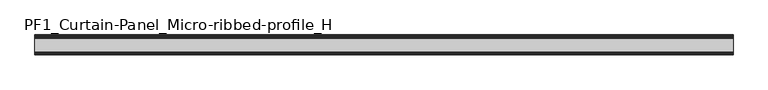
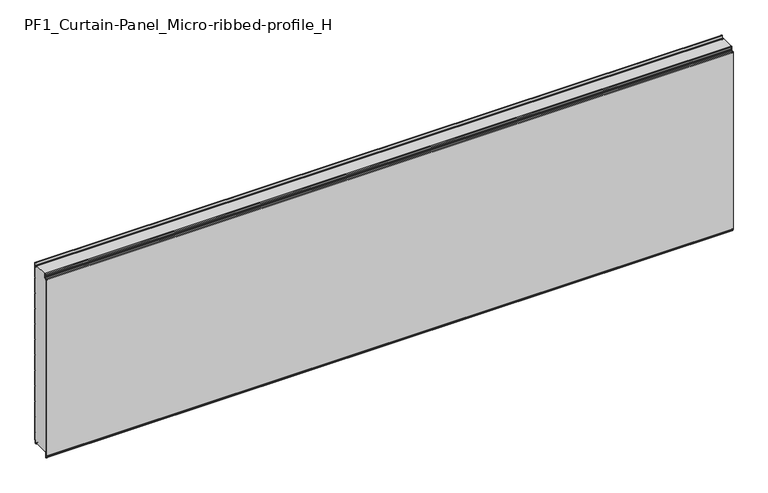
"""IFC4 building model written with IfcOpenShell, lengths in millimetres: plate geometry, PF1_Curtain-Panel_Micro-ribbed-profile_H."""

from ifc_helpers import new_model, si_unit, point, frame, frame_2d, origin, place, context, project, spatial, polyline, circle_curve, trimmed, segment, composite_curve, outline, extrude, source, transform, mapped, element, save


def pf1_curtain_panel_micro_ribbed_profile_h_9a8ff7d0(model_context):
    return source(origin(), model_context, "Body", "SweptSolid", [
        extrude(outline(composite_curve([segment(polyline([(-110.0, 0.0), (-113.5, 0.0)]), True, "CONTINUOUS"), segment(trimmed(circle_curve(frame_2d((-113.5, -2.0)), 2.0), [point((-113.5, 0.0))], [point((-115.5, -2.0))], True, "CARTESIAN"), True, "CONTINUOUS"), segment(polyline([(-115.5, -2.0), (-115.5, -33.0)]), True, "CONTINUOUS"), segment(trimmed(circle_curve(frame_2d((-116.5, -33.0)), 1.0), [point((-115.5, -33.0))], [point((-117.5, -33.0))], False, "CARTESIAN"), True, "CONTINUOUS"), segment(polyline([(-117.5, -33.0), (-117.5, -26.9)]), True, "CONTINUOUS"), segment(trimmed(circle_curve(frame_2d((-118.4, -26.9)), 0.9), [point((-117.5, -26.9))], [point((-118.4, -26.0))], True, "CARTESIAN"), True, "CONTINUOUS"), segment(trimmed(circle_curve(frame_2d((-118.4, -24.4)), 1.6), [point((-118.4, -26.0))], [point((-120.0, -24.4))], False, "CARTESIAN"), True, "CONTINUOUS"), segment(polyline([(-120.0, -24.4), (-120.0, 1123.168846)]), True, "CONTINUOUS"), segment(trimmed(circle_curve(frame_2d((-119.0, 1123.168846)), 1.0), [point((-120.0, 1123.168846))], [point((-118.0, 1123.168846))], False, "CARTESIAN"), True, "CONTINUOUS"), segment(polyline([(-118.0, 1123.168846), (-118.0, 1117.168846)]), True, "CONTINUOUS"), segment(trimmed(circle_curve(frame_2d((-116.5, 1117.168846)), 1.5), [point((-118.0, 1117.168846))], [point((-115.0, 1117.168846))], True, "CARTESIAN"), True, "CONTINUOUS"), segment(polyline([(-115.0, 1117.168846), (-115.0, 1117.9964664)]), True, "CONTINUOUS"), segment(trimmed(circle_curve(frame_2d((-108.8276204, 1117.9964664)), 6.1723796), [point((-115.0, 1117.9964664))], [point((-108.8276204, 1124.168846))], False, "CARTESIAN"), True, "CONTINUOUS"), segment(polyline([(-108.8276204, 1124.168846), (-108.0, 1124.168846)]), True, "CONTINUOUS"), segment(trimmed(circle_curve(frame_2d((-108.0, 1125.168846)), 1.0), [point((-108.0, 1124.168846))], [point((-107.0, 1125.168846))], True, "CARTESIAN"), True, "CONTINUOUS"), segment(polyline([(-107.0, 1125.168846), (-107.0, 1131.6688472), (-105.4999999, 1133.168846), (-107.0, 1134.6688448), (-107.0, 1146.568846)]), True, "CONTINUOUS"), segment(trimmed(circle_curve(frame_2d((-104.4, 1146.568846)), 2.6), [point((-107.0, 1146.568846))], [point((-104.4, 1149.168846))], False, "CARTESIAN"), True, "CONTINUOUS"), segment(polyline([(-104.4, 1149.168846), (-103.0, 1149.168846), (-103.0, 1148.368846), (-104.4, 1148.368846)]), True, "CONTINUOUS"), segment(trimmed(circle_curve(frame_2d((-104.4, 1146.568846)), 1.8), [point((-104.4, 1148.368846))], [point((-106.2, 1146.568846))], True, "CARTESIAN"), True, "CONTINUOUS"), segment(polyline([(-106.2, 1146.568846), (-106.2, 1135.0002158), (-104.3686285, 1133.168846), (-106.2, 1131.3374762), (-106.2, 1125.168846)]), True, "CONTINUOUS"), segment(trimmed(circle_curve(frame_2d((-108.0, 1125.168846)), 1.8), [point((-106.2, 1125.168846))], [point((-108.0, 1123.368846))], False, "CARTESIAN"), True, "CONTINUOUS"), segment(polyline([(-108.0, 1123.368846), (-108.8276204, 1123.368846)]), True, "CONTINUOUS"), segment(trimmed(circle_curve(frame_2d((-108.8276204, 1117.9964664)), 5.3723796), [point((-108.8276204, 1123.368846))], [point((-114.2, 1117.9964664))], True, "CARTESIAN"), True, "CONTINUOUS"), segment(polyline([(-114.2, 1117.9964664), (-114.2, 1117.168846)]), True, "CONTINUOUS"), segment(trimmed(circle_curve(frame_2d((-116.4, 1117.168846)), 2.2), [point((-114.2, 1117.168846))], [point((-118.6, 1117.168846))], False, "CARTESIAN"), True, "CONTINUOUS"), segment(polyline([(-118.6, 1117.168846), (-118.6, 1123.0579973)]), True, "CONTINUOUS"), segment(trimmed(circle_curve(frame_2d((-118.9, 1123.0579973)), 0.3), [point((-118.6, 1123.0579973))], [point((-119.2, 1123.0579973))], True, "CARTESIAN"), True, "CONTINUOUS"), segment(polyline([(-119.2, 1123.0579973), (-119.2, -24.4)]), True, "CONTINUOUS"), segment(trimmed(circle_curve(frame_2d((-118.4, -24.4)), 0.8), [point((-119.2, -24.4))], [point((-118.4, -25.2))], True, "CARTESIAN"), True, "CONTINUOUS"), segment(trimmed(circle_curve(frame_2d((-118.6133333, -26.9)), 1.7133333), [point((-118.4, -25.2))], [point((-116.9, -26.9))], False, "CARTESIAN"), True, "CONTINUOUS"), segment(polyline([(-116.9, -26.9), (-116.9, -32.8700312)]), True, "CONTINUOUS"), segment(trimmed(circle_curve(frame_2d((-116.6, -32.8700312)), 0.3), [point((-116.9, -32.8700312))], [point((-116.3, -32.8700312))], True, "CARTESIAN"), True, "CONTINUOUS"), segment(polyline([(-116.3, -32.8700312), (-116.3, -2.0)]), True, "CONTINUOUS"), segment(trimmed(circle_curve(frame_2d((-113.5, -2.0)), 2.8), [point((-116.3, -2.0))], [point((-113.5, 0.8))], False, "CARTESIAN"), True, "CONTINUOUS"), segment(polyline([(-113.5, 0.8), (-110.0, 0.8), (-110.0, 0.0)]), True, "CONTINUOUS")], self_intersect=False)), frame((-2100.0, 0.0, 0.0), z_axis=(1.0, 0.0, 0.0), x_axis=(0.0, 1.0, 0.0)), (0.0, 0.0, 1.0), 4200.0),
        extrude(outline(composite_curve([segment(polyline([(-15.878557, 0.0), (-20.0, 0.0), (-20.0, 0.8), (-15.878557, 0.8)]), True, "CONTINUOUS"), segment(trimmed(circle_curve(frame_2d((-15.878557, -2.0)), 2.8), [point((-15.878557, 0.8))], [point((-13.1503208, -1.370137))], False, "CARTESIAN"), True, "CONTINUOUS"), segment(polyline([(-13.1503208, -1.370137), (-11.728236, -7.529863)]), True, "CONTINUOUS"), segment(trimmed(circle_curve(frame_2d((-9.0, -6.9)), 2.8), [point((-11.728236, -7.529863))], [point((-6.2, -6.9))], True, "CARTESIAN"), True, "CONTINUOUS"), segment(polyline([(-6.2, -6.9), (-6.2, 8.6)]), True, "CONTINUOUS"), segment(trimmed(circle_curve(frame_2d((-3.4, 8.6)), 2.8), [point((-6.2, 8.6))], [point((-3.4, 11.4))], False, "CARTESIAN"), True, "CONTINUOUS"), segment(polyline([(-3.4, 11.4), (-2.0, 11.4)]), True, "CONTINUOUS"), segment(trimmed(circle_curve(frame_2d((-2.0, 12.6)), 1.2), [point((-2.0, 11.4))], [point((-0.8, 12.6))], True, "CARTESIAN"), True, "CONTINUOUS"), segment(polyline([(-0.8, 12.6), (-0.8, 57.6856412), (-2.482606, 60.6), (-0.8, 63.5143588), (-0.8, 157.6856412), (-2.482606, 160.6), (-0.8, 163.5143588), (-0.8, 257.6856412), (-2.482606, 260.6), (-0.8, 263.5143588), (-0.8, 357.6856412), (-2.482606, 360.6), (-0.8, 363.5143588), (-0.8, 457.6856412), (-2.482606, 460.6), (-0.8, 463.5143588), (-0.8, 557.6856412), (-2.482606, 560.6), (-0.8, 563.5143588), (-0.8, 657.6856412), (-2.482606, 660.6), (-0.8, 663.5143588), (-0.8, 757.6856412), (-2.482606, 760.6), (-0.8, 763.5143588), (-0.8, 857.6856412), (-2.482606, 860.6), (-0.8, 863.5143588), (-0.8, 957.6856412), (-2.482606, 960.6), (-0.8, 963.5143588), (-0.8, 1057.6856412), (-2.482606, 1060.6), (-0.8, 1063.5143588), (-0.8, 1158.268846)]), True, "CONTINUOUS"), segment(trimmed(circle_curve(frame_2d((-2.5, 1158.268846)), 1.7), [point((-0.8, 1158.268846))], [point((-4.2, 1158.268846))], True, "CARTESIAN"), True, "CONTINUOUS"), segment(polyline([(-4.2, 1158.268846), (-4.2, 1141.268846)]), True, "CONTINUOUS"), segment(trimmed(circle_curve(frame_2d((-9.0, 1141.268846)), 4.8), [point((-4.2, 1141.268846))], [point((-13.7270771, 1140.4353344))], False, "CARTESIAN"), True, "CONTINUOUS"), segment(polyline([(-13.7270771, 1140.4353344), (-14.8636953, 1146.8814129)]), True, "CONTINUOUS"), segment(trimmed(circle_curve(frame_2d((-16.6363492, 1146.568846)), 1.8), [point((-14.8636953, 1146.8814129))], [point((-16.6363492, 1148.368846))], True, "CARTESIAN"), True, "CONTINUOUS"), segment(polyline([(-16.6363492, 1148.368846), (-20.0, 1148.368846), (-20.0, 1149.168846), (-16.6363492, 1149.168846)]), True, "CONTINUOUS"), segment(trimmed(circle_curve(frame_2d((-16.6363492, 1146.568846)), 2.6), [point((-16.6363492, 1149.168846))], [point((-14.0758491, 1147.0203315))], False, "CARTESIAN"), True, "CONTINUOUS"), segment(polyline([(-14.0758491, 1147.0203315), (-12.939231, 1140.574253)]), True, "CONTINUOUS"), segment(trimmed(circle_curve(frame_2d((-9.0, 1141.268846)), 4.0), [point((-12.939231, 1140.574253))], [point((-5.0, 1141.268846))], True, "CARTESIAN"), True, "CONTINUOUS"), segment(polyline([(-5.0, 1141.268846), (-5.0, 1158.268846)]), True, "CONTINUOUS"), segment(trimmed(circle_curve(frame_2d((-2.5, 1158.268846)), 2.5), [point((-5.0, 1158.268846))], [point((0.0, 1158.268846))], False, "CARTESIAN"), True, "CONTINUOUS"), segment(polyline([(0.0, 1158.268846), (0.0, 1063.2999995), (-1.5588455, 1060.6), (0.0, 1057.9000005), (0.0, 963.2999995), (-1.5588455, 960.6), (0.0, 957.9000005), (0.0, 863.2999995), (-1.5588455, 860.6), (0.0, 857.9000005), (0.0, 763.2999995), (-1.5588455, 760.6), (0.0, 757.9000005), (0.0, 663.2999995), (-1.5588455, 660.6), (0.0, 657.9000005), (0.0, 563.2999995), (-1.5588455, 560.6), (0.0, 557.9000005), (0.0, 463.2999995), (-1.5588455, 460.6), (0.0, 457.9000005), (0.0, 363.2999995), (-1.5588455, 360.6), (0.0, 357.9000005), (0.0, 263.2999995), (-1.5588455, 260.6), (0.0, 257.9000005), (0.0, 163.2999995), (-1.5588455, 160.6), (0.0, 157.9000005), (0.0, 63.2999995), (-1.5588455, 60.6), (0.0, 57.9000005), (0.0, 12.6)]), True, "CONTINUOUS"), segment(trimmed(circle_curve(frame_2d((-2.0, 12.6)), 2.0), [point((0.0, 12.6))], [point((-2.0, 10.6))], False, "CARTESIAN"), True, "CONTINUOUS"), segment(polyline([(-2.0, 10.6), (-3.4, 10.6)]), True, "CONTINUOUS"), segment(trimmed(circle_curve(frame_2d((-3.4, 8.6)), 2.0), [point((-3.4, 10.6))], [point((-5.4, 8.6))], True, "CARTESIAN"), True, "CONTINUOUS"), segment(polyline([(-5.4, 8.6), (-5.4, -6.9)]), True, "CONTINUOUS"), segment(trimmed(circle_curve(frame_2d((-9.0, -6.9)), 3.6), [point((-5.4, -6.9))], [point((-12.5077322, -7.7098239))], False, "CARTESIAN"), True, "CONTINUOUS"), segment(polyline([(-12.5077322, -7.7098239), (-13.929817, -1.5500979)]), True, "CONTINUOUS"), segment(trimmed(circle_curve(frame_2d((-15.878557, -2.0)), 2.0), [point((-13.929817, -1.5500979))], [point((-15.878557, 0.0))], True, "CARTESIAN"), True, "CONTINUOUS")], self_intersect=False)), frame((-2100.0, 0.0, 0.0), z_axis=(1.0, 0.0, 0.0), x_axis=(0.0, 1.0, 0.0)), (0.0, 0.0, 1.0), 4200.0),
        extrude(outline(composite_curve([segment(polyline([(-110.0, 0.8), (-113.5, 0.8)]), True, "CONTINUOUS"), segment(trimmed(circle_curve(frame_2d((-113.5, -2.0)), 2.8), [point((-113.5, 0.8))], [point((-116.3, -2.0))], True, "CARTESIAN"), True, "CONTINUOUS"), segment(polyline([(-116.3, -2.0), (-116.3, -32.8700312)]), True, "CONTINUOUS"), segment(trimmed(circle_curve(frame_2d((-116.6, -32.8700312)), 0.3), [point((-116.3, -32.8700312))], [point((-116.9, -32.8700312))], False, "CARTESIAN"), True, "CONTINUOUS"), segment(polyline([(-116.9, -32.8700312), (-116.9, -26.9)]), True, "CONTINUOUS"), segment(trimmed(circle_curve(frame_2d((-118.6133333, -26.9)), 1.7133333), [point((-116.9, -26.9))], [point((-118.4, -25.2))], True, "CARTESIAN"), True, "CONTINUOUS"), segment(trimmed(circle_curve(frame_2d((-118.4, -24.4)), 0.8), [point((-118.4, -25.2))], [point((-119.2, -24.4))], False, "CARTESIAN"), True, "CONTINUOUS"), segment(polyline([(-119.2, -24.4), (-119.2, 1123.0579973)]), True, "CONTINUOUS"), segment(trimmed(circle_curve(frame_2d((-118.9, 1123.0579973)), 0.3), [point((-119.2, 1123.0579973))], [point((-118.6, 1123.0579973))], False, "CARTESIAN"), True, "CONTINUOUS"), segment(polyline([(-118.6, 1123.0579973), (-118.6, 1117.168846)]), True, "CONTINUOUS"), segment(trimmed(circle_curve(frame_2d((-116.4, 1117.168846)), 2.2), [point((-118.6, 1117.168846))], [point((-114.2, 1117.168846))], True, "CARTESIAN"), True, "CONTINUOUS"), segment(polyline([(-114.2, 1117.168846), (-114.2, 1117.9964664)]), True, "CONTINUOUS"), segment(trimmed(circle_curve(frame_2d((-108.8276204, 1117.9964664)), 5.3723796), [point((-114.2, 1117.9964664))], [point((-108.8276204, 1123.368846))], False, "CARTESIAN"), True, "CONTINUOUS"), segment(polyline([(-108.8276204, 1123.368846), (-108.0, 1123.368846)]), True, "CONTINUOUS"), segment(trimmed(circle_curve(frame_2d((-108.0, 1125.168846)), 1.8), [point((-108.0, 1123.368846))], [point((-106.2, 1125.168846))], True, "CARTESIAN"), True, "CONTINUOUS"), segment(polyline([(-106.2, 1125.168846), (-106.2, 1131.3374762), (-104.3686285, 1133.168846), (-106.2, 1135.0002158), (-106.2, 1146.568846)]), True, "CONTINUOUS"), segment(trimmed(circle_curve(frame_2d((-104.4, 1146.568846)), 1.8), [point((-106.2, 1146.568846))], [point((-104.4, 1148.368846))], False, "CARTESIAN"), True, "CONTINUOUS"), segment(polyline([(-104.4, 1148.368846), (-103.0, 1148.368846), (-103.0, 1149.168846), (-20.0, 1149.168846), (-20.0, 1148.368846), (-16.6363492, 1148.368846)]), True, "CONTINUOUS"), segment(trimmed(circle_curve(frame_2d((-16.6363492, 1146.568846)), 1.8), [point((-16.6363492, 1148.368846))], [point((-14.8636953, 1146.8814129))], False, "CARTESIAN"), True, "CONTINUOUS"), segment(polyline([(-14.8636953, 1146.8814129), (-13.7270772, 1140.4353344)]), True, "CONTINUOUS"), segment(trimmed(circle_curve(frame_2d((-9.0, 1141.268846)), 4.8), [point((-13.7270772, 1140.4353344))], [point((-4.2, 1141.268846))], True, "CARTESIAN"), True, "CONTINUOUS"), segment(polyline([(-4.2, 1141.268846), (-4.2, 1158.268846)]), True, "CONTINUOUS"), segment(trimmed(circle_curve(frame_2d((-2.5, 1158.268846)), 1.7), [point((-4.2, 1158.268846))], [point((-0.8, 1158.268846))], False, "CARTESIAN"), True, "CONTINUOUS"), segment(polyline([(-0.8, 1158.268846), (-0.8, 1063.5143588), (-2.482606, 1060.6), (-0.8, 1057.6856412), (-0.8, 963.5143588), (-2.482606, 960.6), (-0.8, 957.6856412), (-0.8, 863.5143588), (-2.482606, 860.6), (-0.8, 857.6856412), (-0.8, 763.5143588), (-2.482606, 760.6), (-0.8, 757.6856412), (-0.8, 663.5143588), (-2.482606, 660.6), (-0.8, 657.6856412), (-0.8, 563.5143588), (-2.482606, 560.6), (-0.8, 557.6856412), (-0.8, 463.5143588), (-2.482606, 460.6), (-0.8, 457.6856412), (-0.8, 363.5143588), (-2.482606, 360.6), (-0.8, 357.6856412), (-0.8, 263.5143588), (-2.482606, 260.6), (-0.8, 257.6856412), (-0.8, 163.5143588), (-2.482606, 160.6), (-0.8, 157.6856412), (-0.8, 63.5143588), (-2.482606, 60.6), (-0.8, 57.6856412), (-0.8, 12.6)]), True, "CONTINUOUS"), segment(trimmed(circle_curve(frame_2d((-2.0, 12.6)), 1.2), [point((-0.8, 12.6))], [point((-2.0, 11.4))], False, "CARTESIAN"), True, "CONTINUOUS"), segment(polyline([(-2.0, 11.4), (-3.4, 11.4)]), True, "CONTINUOUS"), segment(trimmed(circle_curve(frame_2d((-3.4, 8.6)), 2.8), [point((-3.4, 11.4))], [point((-6.2, 8.6))], True, "CARTESIAN"), True, "CONTINUOUS"), segment(polyline([(-6.2, 8.6), (-6.2, -6.9)]), True, "CONTINUOUS"), segment(trimmed(circle_curve(frame_2d((-9.0, -6.9)), 2.8), [point((-6.2, -6.9))], [point((-11.7282362, -7.529863))], False, "CARTESIAN"), True, "CONTINUOUS"), segment(polyline([(-11.7282362, -7.529863), (-13.1503208, -1.370137)]), True, "CONTINUOUS"), segment(trimmed(circle_curve(frame_2d((-15.878557, -2.0)), 2.8), [point((-13.1503208, -1.370137))], [point((-15.878557, 0.8))], True, "CARTESIAN"), True, "CONTINUOUS"), segment(polyline([(-15.878557, 0.8), (-20.0, 0.8), (-20.0, 0.0), (-110.0, 0.0), (-110.0, 0.8)]), True, "CONTINUOUS")], self_intersect=False)), frame((-2100.0, 0.0, 0.0), z_axis=(1.0, 0.0, 0.0), x_axis=(0.0, 1.0, 0.0)), (0.0, 0.0, 1.0), 4200.0),
    ])


if __name__ == "__main__":
    model = new_model("IFC4")
    model_context = context("Model", 3, world=origin())
    ifc_project = project(units=[si_unit("LENGTHUNIT", "METRE", prefix="MILLI")], contexts=[model_context])
    site = spatial("IfcSite", under=ifc_project)
    building = spatial("IfcBuilding", under=site)
    placement = place(None, origin())
    pf1_curtain_panel_micro_ribbed_profile_h_shape = pf1_curtain_panel_micro_ribbed_profile_h_9a8ff7d0(model_context)
    element("IfcPlate", 1, ObjectType="PF1_Curtain-Panel_Micro-ribbed-profile_H", at=placement, inside=building, context=model_context, shape_type="MappedRepresentation", body=[
        mapped(pf1_curtain_panel_micro_ribbed_profile_h_shape, transform((0.0, 0.0, 0.0), x_axis=(1.0, 0.0, 0.0), y_axis=(0.0, 1.0, 0.0), z_axis=(0.0, 0.0, 1.0))),
    ])
    save(model, "model.ifc")
